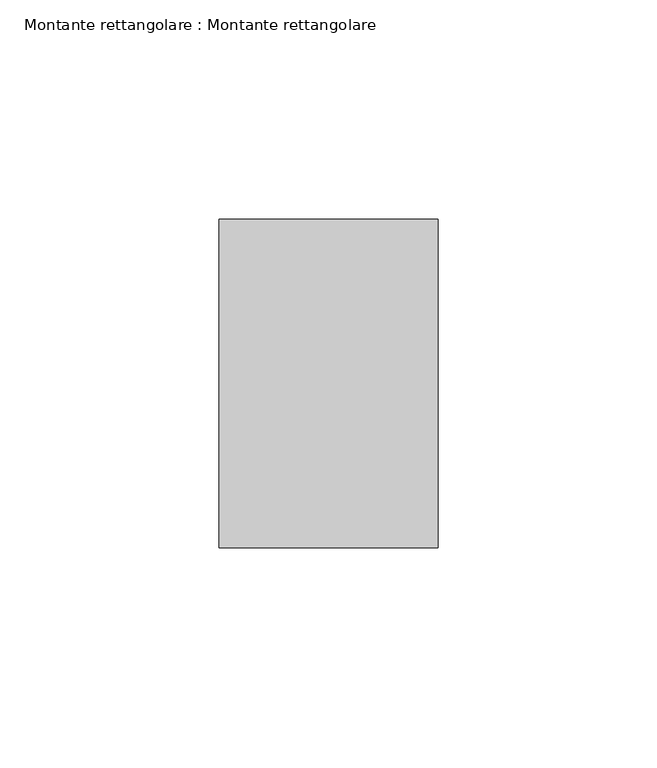
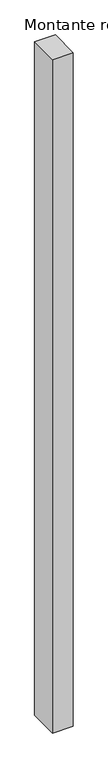
"""IFC4 building model written with IfcOpenShell, lengths in millimetres: member geometry, Montante rettangolare : Montante rettangolare."""

from ifc_helpers import new_model, si_unit, frame, origin, place, context, project, spatial, polyline, outline, extrude, source, transform, mapped, element, save


def montante_rettangolare_montante_rettangolare_56af10f7(model_context):
    return source(origin(), model_context, "Body", "SweptSolid", [
        extrude(outline(polyline([(0.0, 37.5), (0.0, -37.5), (-50.0, -37.5), (-50.0, 37.5), (0.0, 37.5)])), frame((0.0, 0.0, -1725.0000003), z_axis=(0.0, 0.0, 1.0), x_axis=(1.0, 0.0, 0.0)), (0.0, 0.0, 1.0), 1725.0000003),
    ])


if __name__ == "__main__":
    model = new_model("IFC4")
    model_context = context("Model", 3, world=origin())
    ifc_project = project(units=[si_unit("LENGTHUNIT", "METRE", prefix="MILLI")], contexts=[model_context])
    site = spatial("IfcSite", under=ifc_project)
    building = spatial("IfcBuilding", under=site)
    placement = place(None, origin())
    montante_rettangolare_montante_rettangolare_shape = montante_rettangolare_montante_rettangolare_56af10f7(model_context)
    element("IfcMember", 1, ObjectType="Montante rettangolare : Montante rettangolare", at=placement, inside=building, context=model_context, shape_type="MappedRepresentation", body=[
        mapped(montante_rettangolare_montante_rettangolare_shape, transform((0.0, 0.0, 0.0), x_axis=(1.0, 0.0, 0.0), y_axis=(0.0, 1.0, 0.0), z_axis=(0.0, 0.0, 1.0))),
    ])
    save(model, "model.ifc")
